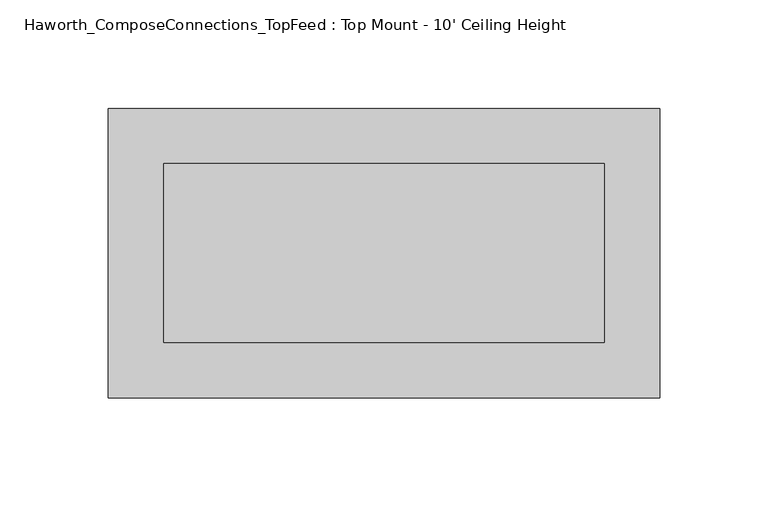
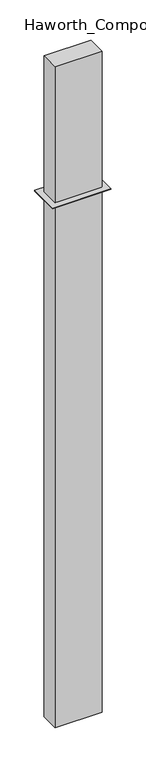
"""IFC4 building model written with IfcOpenShell, lengths in millimetres: furniture geometry, Haworth_ComposeConnections_TopFeed : Top Mount - 10' Ceiling Height."""

from ifc_helpers import new_model, si_unit, frame, origin, place, context, project, spatial, polyline, outline, extrude, source, transform, mapped, element, save


def haworth_composeconnections_topfeed_top_mount_10_ceiling_f4533ad2(model_context):
    return source(origin(), model_context, "Body", "SweptSolid", [
        extrude(outline(polyline([(-88.9, 66.675), (165.1, 66.675), (165.1, -66.675), (-88.9, -66.675), (-88.9, 66.675)])), frame((0.0, 0.0, 3044.825), z_axis=(0.0, 0.0, 1.0), x_axis=(1.0, 0.0, 0.0)), (0.0, 0.0, 1.0), 3.175),
        extrude(outline(polyline([(139.7, 41.275), (139.7, -41.275), (-63.5, -41.275), (-63.5, 41.275), (139.7, 41.275)])), frame((0.0, 0.0, 647.7), z_axis=(0.0, 0.0, 1.0), x_axis=(1.0, 0.0, 0.0)), (0.0, 0.0, 1.0), 3022.6),
    ])


if __name__ == "__main__":
    model = new_model("IFC4")
    model_context = context("Model", 3, world=origin())
    ifc_project = project(units=[si_unit("LENGTHUNIT", "METRE", prefix="MILLI")], contexts=[model_context])
    site = spatial("IfcSite", under=ifc_project)
    building = spatial("IfcBuilding", under=site)
    placement = place(None, origin())
    haworth_composeconnections_topfeed_top_mount_10_ceiling_shape = haworth_composeconnections_topfeed_top_mount_10_ceiling_f4533ad2(model_context)
    element("IfcFurniture", 1, ObjectType="Haworth_ComposeConnections_TopFeed : Top Mount - 10' Ceiling Height", at=placement, inside=building, context=model_context, shape_type="MappedRepresentation", body=[
        mapped(haworth_composeconnections_topfeed_top_mount_10_ceiling_shape, transform((0.0, 0.0, 0.0), x_axis=(1.0, 0.0, 0.0), y_axis=(0.0, 1.0, 0.0), z_axis=(0.0, 0.0, 1.0))),
    ])
    save(model, "model.ifc")
